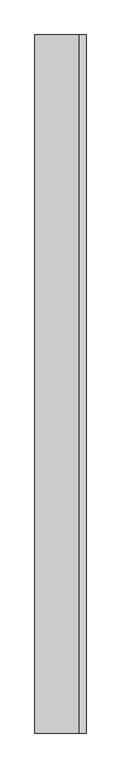
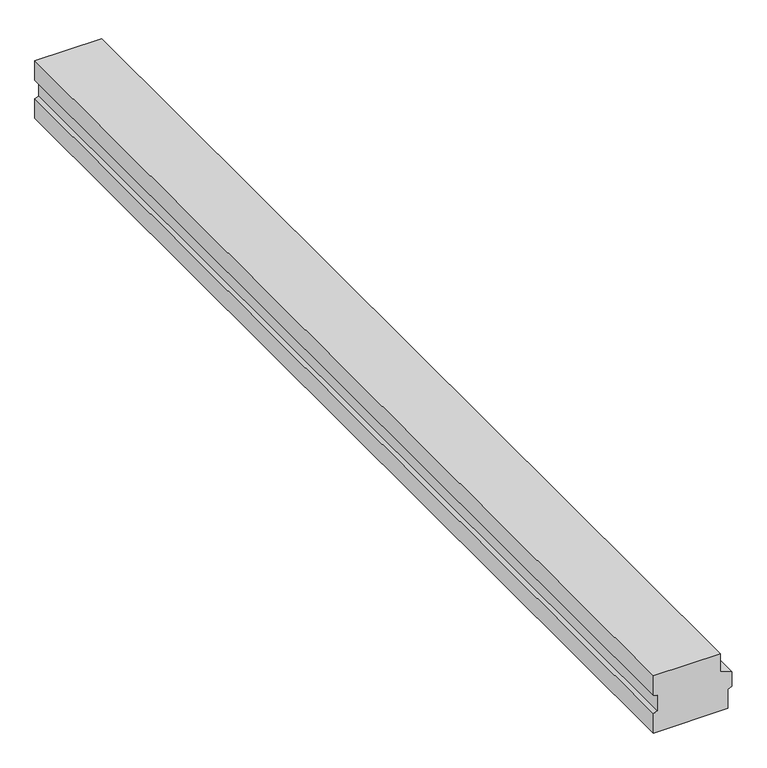
"""IFC4 building model written with IfcOpenShell, lengths in millimetres: beam geometry."""

from ifc_helpers import new_model, si_unit, frame, origin, place, context, project, spatial, polyline, outline, extrude, source, transform, mapped, element, save


def beam_c55f72cb(model_context):
    return source(origin(), model_context, "Body", "SweptSolid", [
        extrude(outline(polyline([(0.0, 117.5), (0.0, -147.5), (-81.2054084, -147.5), (-86.8469471, -132.0), (-152.5378604, -132.0), (-158.9635917, -147.5), (-240.0, -147.5), (-240.0, 147.5), (-158.9635917, 147.5), (-152.5378604, 163.0), (-91.5606457, 163.0), (-75.0, 117.5), (0.0, 117.5)])), frame((0.0, -2120.0, 0.0), z_axis=(0.0, 1.0, 0.0), x_axis=(0.0, 0.0, 1.0)), (0.0, 0.0, 1.0), 4240.0),
    ])


if __name__ == "__main__":
    model = new_model("IFC4")
    model_context = context("Model", 3, world=origin())
    ifc_project = project(units=[si_unit("LENGTHUNIT", "METRE", prefix="MILLI")], contexts=[model_context])
    site = spatial("IfcSite", under=ifc_project)
    building = spatial("IfcBuilding", under=site)
    placement = place(None, origin())
    beam_shape = beam_c55f72cb(model_context)
    element("IfcBeam", 1, at=placement, inside=building, context=model_context, shape_type="MappedRepresentation", body=[
        mapped(beam_shape, transform((0.0, 0.0, 0.0), x_axis=(1.0, 0.0, 0.0), y_axis=(0.0, 1.0, 0.0), z_axis=(0.0, 0.0, 1.0))),
    ])
    save(model, "model.ifc")
